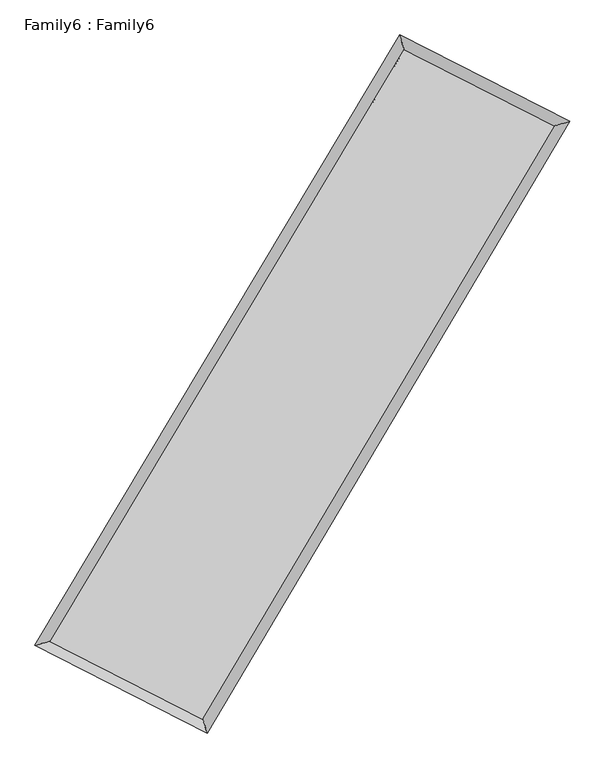
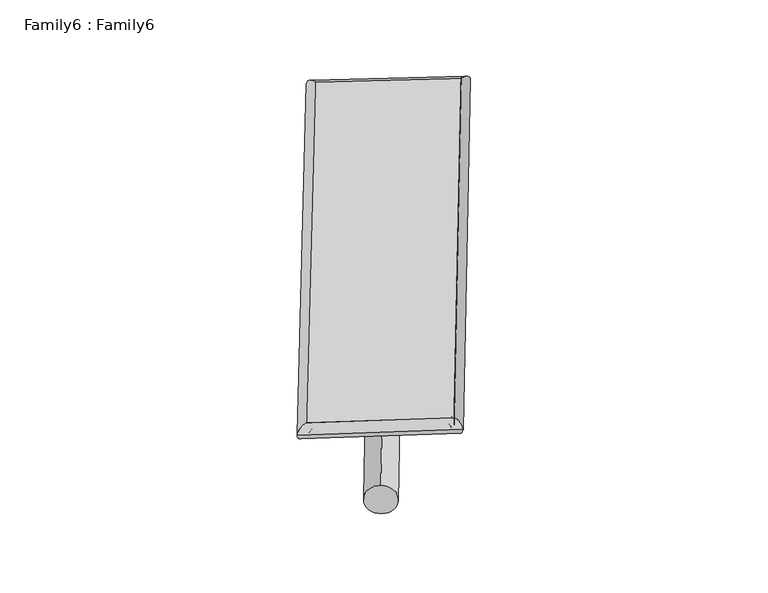
"""IFC4 building model written with IfcOpenShell, lengths in millimetres: plate geometry, Family6 : Family6."""

from ifc_helpers import new_model, si_unit, point, frame, origin, origin_2d, place, context, project, spatial, circle_curve, ellipse_curve, trimmed, segment, composite_curve, outline, extrude, source, transform, mapped, element, save
from ifc_brep_helpers import plane_surface, cylinder_surface, spline_surface, advanced_brep


def family6_family6_ab45f2e8(model_context):
    return source(origin(), model_context, "Body", "SolidModel", [
        extrude(outline(composite_curve([segment(trimmed(circle_curve(origin_2d(), 76.2), [point((-75.4341514, -10.7763073))], [point((75.4341514, 10.7763073))], False, "CARTESIAN"), True, "CONTINUOUS"), segment(trimmed(circle_curve(origin_2d(), 76.2), [point((75.4341514, 10.7763073))], [point((-75.4341514, -10.7763073))], False, "CARTESIAN"), True, "CONTINUOUS")], self_intersect=False)), frame((9144.0, 9144.0, 0.0), z_axis=(0.6738456544240167, 0.6884995136456243, 0.2681425996062687), x_axis=(-0.6800320301473036, 0.7198218658954189, -0.13933025282606296)), (0.0, 0.0, 1.0), 5645.5874367),
        extrude(outline(composite_curve([segment(trimmed(circle_curve(origin_2d(), 76.2), [point((-53.8815367, 53.8815367))], [point((53.8815367, -53.8815367))], False, "CARTESIAN"), True, "CONTINUOUS"), segment(trimmed(circle_curve(origin_2d(), 76.2), [point((53.8815367, -53.8815367))], [point((-53.8815367, 53.8815367))], False, "CARTESIAN"), True, "CONTINUOUS")], self_intersect=False)), frame((9144.0, 9144.0, 0.0), z_axis=(-0.6759994420898838, -0.686427461949319, 0.2680337549190069), x_axis=(0.637652187036795, -0.36257315831736137, 0.6796619698313022)), (0.0, 0.0, 1.0), 5648.5456596),
        extrude(outline(composite_curve([segment(trimmed(circle_curve(origin_2d(), 76.2), [point((-53.8815368, -53.8815367))], [point((53.8815368, 53.8815367))], False, "CARTESIAN"), True, "CONTINUOUS"), segment(trimmed(circle_curve(origin_2d(), 76.2), [point((53.8815368, 53.8815367))], [point((-53.8815368, -53.8815367))], False, "CARTESIAN"), True, "CONTINUOUS")], self_intersect=False)), frame((9144.0, 9144.0, 0.0), z_axis=(0.27611644507766836, 0.9197715998703966, 0.27889050329748116), x_axis=(-0.84027558313104, 0.37187642783525887, -0.39451852531190257)), (0.0, 0.0, 1.0), 5489.6144466),
        extrude(outline(composite_curve([segment(trimmed(circle_curve(origin_2d(), 76.2), [point((-75.4341514, 10.7763074))], [point((75.4341514, -10.7763074))], False, "CARTESIAN"), True, "CONTINUOUS"), segment(trimmed(circle_curve(origin_2d(), 76.2), [point((75.4341514, -10.7763074))], [point((-75.4341514, 10.7763074))], False, "CARTESIAN"), True, "CONTINUOUS")], self_intersect=False)), frame((9144.0, 9144.0, 0.0), z_axis=(-0.2731183147970609, -0.9207131715876657, 0.27873579208166877), x_axis=(0.8783560464274431, -0.12051715748553912, 0.46256488242835425)), (0.0, 0.0, 1.0), 5492.7480917),
        advanced_brep(
        [(5111.1158838, 5204.8601703, 1515.3428314), (5540.0673974, 5328.520568, 1515.6979255), (5540.0566871, 5328.506108, 1512.6589745), (10717.6094327, 13992.8952002, 1529.1602044), (10601.936219, 14393.4877242, 1532.8424674), (5111.1051735, 5204.8457103, 1512.3038804), (12734.1782831, 12968.7791157, 1514.0225165), (13162.3308386, 13093.1892931, 1513.6224667), (7585.6274182, 4287.3811156, 1530.7199942), (7702.032377, 3886.127852, 1531.3309859)],
        [
            (0, 1, ellipse_curve(frame((5325.5862855, 5266.6831392, 1514.000903), z_axis=(-0.2769997376786222, 0.9608632659380781, -0.003595760946518988), x_axis=(-0.9608488512006272, -0.2770165280172015, -0.0055971735482983915)), 223.2243812, 152.4)),
            (1, 2, ellipse_curve(frame((5325.5862855, 5266.6831392, 1514.000903), z_axis=(-0.2769997376786222, 0.9608632659380781, -0.003595760946518988), x_axis=(-0.9608488512006272, -0.2770165280172015, -0.0055971735482983915)), 223.2243812, 152.4)),
            (2, 3),
            (3, 4, ellipse_curve(frame((10659.7728258, 14193.1914622, 1531.0013359), z_axis=(-0.9607341706635354, -0.27744888413846036, 0.003459770190662361), x_axis=(0.2774250977046884, -0.9607278927324091, -0.006101744790528665)), 208.4882193, 152.4)),
            (4, 0),
            (2, 5, ellipse_curve(frame((5325.5862855, 5266.6831392, 1514.000903), z_axis=(-0.2769997376786222, 0.9608632659380781, -0.003595760946518988), x_axis=(-0.9608488512006272, -0.2770165280172015, -0.0055971735482983915)), 223.2243812, 152.4)),
            (5, 0, ellipse_curve(frame((5325.5862855, 5266.6831392, 1514.000903), z_axis=(-0.2769997376786222, 0.9608632659380781, -0.003595760946518988), x_axis=(-0.9608488512006272, -0.2770165280172015, -0.0055971735482983915)), 223.2243812, 152.4)),
            (4, 3, ellipse_curve(frame((10659.7728258, 14193.1914622, 1531.0013359), z_axis=(-0.9607341706635354, -0.27744888413846036, 0.003459770190662361), x_axis=(0.2774250977046884, -0.9607278927324091, -0.006101744790528665)), 208.4882193, 152.4)),
            (3, 6),
            (6, 7, ellipse_curve(frame((12948.2545609, 13030.9842044, 1513.8224916), z_axis=(-0.27902814817787547, 0.9602758517850573, 0.0036852412279857207), x_axis=(-0.9602607910906026, -0.2790457175913218, 0.005718442794533157)), 222.9338075, 152.4)),
            (7, 4),
            (7, 6, ellipse_curve(frame((12948.2545609, 13030.9842044, 1513.8224916), z_axis=(-0.27902814817787547, 0.9602758517850573, 0.0036852412279857207), x_axis=(-0.9602607910906026, -0.2790457175913218, 0.005718442794533157)), 222.9338075, 152.4)),
            (6, 8),
            (8, 9, ellipse_curve(frame((7643.8298976, 4086.7544838, 1531.02549), z_axis=(0.9603957951806557, 0.2786192434984756, 0.00335167893049875), x_axis=(-0.27859650933489966, 0.9603895347788617, -0.005993869672491348)), 208.9005862, 152.4)),
            (9, 7),
            (9, 8, ellipse_curve(frame((7643.8298976, 4086.7544838, 1531.02549), z_axis=(0.9603957951806557, 0.2786192434984756, 0.00335167893049875), x_axis=(-0.27859650933489966, 0.9603895347788617, -0.005993869672491348)), 208.9005862, 152.4)),
            (8, 1),
            (5, 9),
        ],
        [
            cylinder_surface(frame((5325.5862855, 5266.6831392, 1514.000903), z_axis=(-0.5129585510061317, -0.8584118197360908, -0.0016348354849877221), x_axis=(-0.8583740020890631, 0.5129158510731805, 0.010554726689030904)), 152.4),
            cylinder_surface(frame((10659.7728258, 14193.1914622, 1531.0013359), z_axis=(-0.8915897546958276, 0.45279456156525644, 0.006692857264370033), x_axis=(0.4528318079365169, 0.8915768792493804, 0.005832847407671877)), 152.4),
            cylinder_surface(frame((12948.2545609, 13030.9842044, 1513.8224916), z_axis=(0.5100963395491166, 0.8601156826974979, -0.0016543144833474582), x_axis=(0.8601171539804053, -0.5100963395491166, 0.0004536598289386283)), 152.4),
            cylinder_surface(frame((7643.8298976, 4086.7544838, 1531.02549), z_axis=(0.8911856944566271, -0.4535914744472475, 0.006544639381302701), x_axis=(-0.45357322348617735, -0.8912094399996614, -0.004130979526469489)), 152.4),
        ],
        [
            (0, [[1, 2, 3, 4, 5]]),
            (0, [[6, 7, -5, 8, -3]]),
            (1, [[-4, 9, 10, 11]]),
            (1, [[-8, -11, 12, -9]]),
            (2, [[-10, 13, 14, 15]]),
            (2, [[-12, -15, 16, -13]]),
            (3, [[-14, 17, -1, -7, 18]]),
            (3, [[-16, -18, -6, -2, -17]]),
        ],
    ),
        extrude(outline(composite_curve([segment(trimmed(circle_curve(origin_2d(), 304.8), [point((-1e-07, -304.8))], [point((0.0, 304.8))], False, "CARTESIAN"), True, "CONTINUOUS"), segment(trimmed(circle_curve(origin_2d(), 304.8), [point((0.0, 304.8))], [point((-1e-07, -304.8))], False, "CARTESIAN"), True, "CONTINUOUS")], self_intersect=False)), frame((6481.2592831, 4648.0284697, -0.0013168), z_axis=(0.5095844349584134, 0.8604206550566131, 2.519983621799224e-07), x_axis=(-0.8604206550566472, 0.5095844349584133, 6.902441265252114e-08)), (0.0, 0.0, 1.0), 10450.6359857),
        advanced_brep(
        [(5325.5862855, 5266.6831392, 1514.000903), (7643.8298976, 4086.7544838, 1531.02549), (7643.828667, 4086.7569763, 1683.42549), (5325.5850549, 5266.6856316, 1666.400903), (12948.2545609, 13030.9842044, 1513.8224916), (12948.2533303, 13030.9866969, 1666.2224916), (10659.7728258, 14193.1914622, 1531.0013359), (10659.7715953, 14193.1939547, 1683.4013359)],
        [
            (0, 1),
            (1, 2),
            (2, 3),
            (3, 0),
            (1, 4),
            (4, 5),
            (5, 2),
            (4, 6),
            (6, 7),
            (7, 5),
            (6, 0),
            (3, 7),
        ],
        [
            plane_surface(frame((6484.7080915, 4676.7188115, 1522.5131965), z_axis=(-0.45360125256852657, -0.8912047483879181, 1.0912902992357611e-05), x_axis=(0.8911856944566273, -0.4535914744472471, 0.006544639381302709))),
            plane_surface(frame((10296.0422292, 8558.8693441, 1522.4239908), z_axis=(0.8601168724636225, -0.5100970157427748, 1.5287646207766555e-05), x_axis=(0.510096339549116, 0.8601156826974982, -0.0016543144833474567))),
            plane_surface(frame((11804.0136934, 13612.0878333, 1522.4119137), z_axis=(0.4528046379941345, 0.8916097575125703, -1.0925959182578587e-05), x_axis=(-0.8915897546958277, 0.45279456156525627, 0.006692857264370031))),
            plane_surface(frame((7992.6795556, 9729.9373007, 1522.5011194), z_axis=(-0.8584129539227114, 0.5129592579366917, -1.5320699391538372e-05), x_axis=(-0.5129585510061316, -0.8584118197360908, -0.0016348354849877221))),
            spline_surface(1, 1, [[(7643.828667, 4086.7569763, 1683.42549), (5325.5850549, 5266.6856316, 1666.400903)], [(12948.2533303, 13030.9866969, 1666.2224916), (10659.7715953, 14193.1939547, 1683.4013359)]], [2, 2], [2, 2], [0.0, 1.0], [0.0, 1.0]),
            spline_surface(1, 1, [[(10659.7728258, 14193.1914622, 1531.0013359), (5325.5862855, 5266.6831392, 1514.000903)], [(12948.2545609, 13030.9842044, 1513.8224916), (7643.8298976, 4086.7544838, 1531.02549)]], [2, 2], [2, 2], [0.0, 1.0], [0.0, 1.0]),
        ],
        [
            (0, [[1, 2, 3, 4]]),
            (1, [[5, 6, 7, -2]]),
            (2, [[8, 9, 10, -6]]),
            (3, [[11, -4, 12, -9]]),
            (4, [[-3, -7, -10, -12]]),
            (5, [[-11, -8, -5, -1]]),
        ],
    ),
    ])


if __name__ == "__main__":
    model = new_model("IFC4")
    model_context = context("Model", 3, world=origin())
    ifc_project = project(units=[si_unit("LENGTHUNIT", "METRE", prefix="MILLI")], contexts=[model_context])
    site = spatial("IfcSite", under=ifc_project)
    building = spatial("IfcBuilding", under=site)
    placement = place(None, origin())
    family6_family6_shape = family6_family6_ab45f2e8(model_context)
    element("IfcPlate", 1, ObjectType="Family6 : Family6", at=placement, inside=building, context=model_context, shape_type="MappedRepresentation", body=[
        mapped(family6_family6_shape, transform((0.0, 0.0, 0.0), x_axis=(1.0, 0.0, 0.0), y_axis=(0.0, 1.0, 0.0), z_axis=(0.0, 0.0, 1.0))),
    ])
    save(model, "model.ifc")
